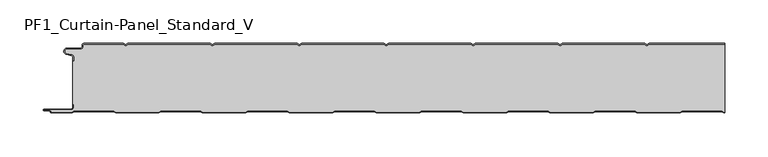
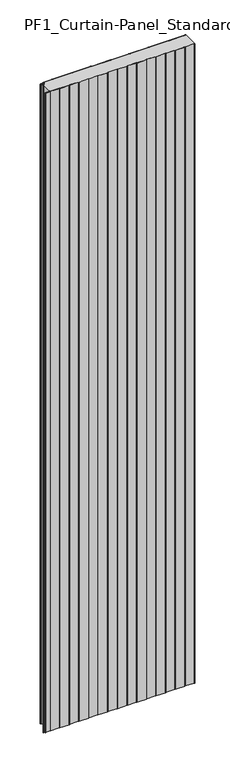
"""IFC4 building model written with IfcOpenShell, lengths in millimetres: plate geometry, PF1_Curtain-Panel_Standard_V."""

import ifcopenshell
import ifcopenshell.guid

model = None  # the IFC model being written
_history = None  # IfcOwnerHistory: only IFC2X3 demands one
_inside = {}  # id of a spatial element -> (the spatial element, [elements in it])
_under = {}  # id of a project, library or spatial element -> (it, [spatial elements below it])
_declared = {}  # id of a project -> (the project, [libraries it declares])
_typed = {}  # id of a type object -> (the type object, [elements of that type])
_made_of = {}  # id of a material, layer set ... -> (it, [elements and type objects made of it])


def new_model(schema):
    """Start an empty IFC model of exactly this schema.

    Asked for "IFC4X3", IfcOpenShell would pick the latest addendum, in which some entities
    have other attributes; the version numbers below select the first issue.
    IFC2X3 requires an IfcOwnerHistory on every rooted entity: one is made here for all.
    """
    global model, _history
    if schema == "IFC4X3":
        model = ifcopenshell.file(schema_version=(4, 3, 0, 0))
    else:
        model = ifcopenshell.file(schema=schema)
    _inside.clear()
    _under.clear()
    _declared.clear()
    _typed.clear()
    _made_of.clear()
    _history = None
    if model.schema == "IFC2X3":
        org = make("IfcOrganization", Name="unknown")
        user = make(
            "IfcPersonAndOrganization",
            ThePerson=make("IfcPerson", FamilyName="unknown"),
            TheOrganization=org,
        )
        app = make(
            "IfcApplication",
            ApplicationDeveloper=org,
            Version="unknown",
            ApplicationFullName="unknown",
            ApplicationIdentifier="unknown",
        )
        _history = make(
            "IfcOwnerHistory",
            OwningUser=user,
            OwningApplication=app,
            ChangeAction="ADDED",
            CreationDate=0,
        )
    return model


def make(cls, **values):
    """One entity of the class cls with the attributes given. An attribute that is None is left unset."""
    return model.create_entity(
        cls, **{name: value for name, value in values.items() if value is not None}
    )


def rooted(cls, **values):
    """An entity with a GlobalId (a new one), such as an element, a storey or a relation."""
    return make(cls, GlobalId=ifcopenshell.guid.new(), OwnerHistory=_history, **values)


def si_unit(unit_type, name, prefix=None):
    """IfcSIUnit, for example si_unit("LENGTHUNIT", "METRE", prefix="MILLI")."""
    return make("IfcSIUnit", UnitType=unit_type, Prefix=prefix, Name=name)


def assignment(units):
    """IfcUnitAssignment: the units of a project."""
    return None if units is None else make("IfcUnitAssignment", Units=units)


def point(xyz):
    """IfcCartesianPoint."""
    return None if xyz is None else make("IfcCartesianPoint", Coordinates=xyz)


def direction(xyz):
    """IfcDirection."""
    return None if xyz is None else make("IfcDirection", DirectionRatios=xyz)


def frame(location, z_axis=None, x_axis=None):
    """IfcAxis2Placement3D, a coordinate frame: its origin and axes. An axis left out is left unset."""
    return make(
        "IfcAxis2Placement3D",
        Location=point(location),
        Axis=direction(z_axis),
        RefDirection=direction(x_axis),
    )


def frame_2d(location, x_axis=None):
    """IfcAxis2Placement2D, a coordinate frame in the plane: its origin and x axis."""
    return make(
        "IfcAxis2Placement2D", Location=point(location), RefDirection=direction(x_axis)
    )


def origin():
    """The frame at (0, 0, 0) with its axes left unset."""
    return frame((0.0, 0.0, 0.0))


def origin_with_axes():
    """The frame at (0, 0, 0) with the z axis (0, 0, 1) and the x axis (1, 0, 0) written out."""
    return frame((0.0, 0.0, 0.0), z_axis=(0.0, 0.0, 1.0), x_axis=(1.0, 0.0, 0.0))


def place(relative_to, where):
    """IfcLocalPlacement: puts the frame where relative to a parent placement (None: the world)."""
    return make(
        "IfcLocalPlacement", PlacementRelTo=relative_to, RelativePlacement=where
    )


def context(
    kind, dimensions, precision=None, world=None, true_north=None, identifier=None
):
    """IfcGeometricRepresentationContext, for example the 3D "Model" context."""
    return make(
        "IfcGeometricRepresentationContext",
        ContextIdentifier=identifier,
        ContextType=kind,
        CoordinateSpaceDimension=dimensions,
        Precision=precision,
        WorldCoordinateSystem=world,
        TrueNorth=true_north,
    )


def project(units=None, contexts=None):
    """IfcProject with its units and contexts."""
    return rooted(
        "IfcProject",
        Name="project",
        RepresentationContexts=contexts,
        UnitsInContext=assignment(units),
    )


def spatial(cls, under=None, at=None, **own):
    """A site, building, storey or space (cls), placed at a placement, below another one or the project."""
    s = rooted(cls, ObjectPlacement=at, **own)
    if under is not None:
        _under.setdefault(under.id(), (under, []))[1].append(s)
    return s


def polyline(points):
    """IfcPolyline through the points."""
    return make("IfcPolyline", Points=[point(p) for p in points])


def circle_curve(where, radius):
    """IfcCircle in the frame where."""
    return make("IfcCircle", Position=where, Radius=radius)


def trimmed(basis, trim1, trim2, sense, master):
    """IfcTrimmedCurve: the piece of a basis curve between two trims."""
    return make(
        "IfcTrimmedCurve",
        BasisCurve=basis,
        Trim1=trim1,
        Trim2=trim2,
        SenseAgreement=sense,
        MasterRepresentation=master,
    )


def segment(curve, same_sense, transition):
    """IfcCompositeCurveSegment."""
    return make(
        "IfcCompositeCurveSegment",
        Transition=transition,
        SameSense=same_sense,
        ParentCurve=curve,
    )


def composite_curve(segments, self_intersect=None):
    """IfcCompositeCurve: segments joined end to end."""
    return make("IfcCompositeCurve", Segments=segments, SelfIntersect=self_intersect)


def outline(outer, holes=None, kind="AREA"):
    """IfcArbitraryClosedProfileDef: a profile drawn as a closed curve; with holes, ...WithVoids."""
    if holes is None:
        return make("IfcArbitraryClosedProfileDef", ProfileType=kind, OuterCurve=outer)
    return make(
        "IfcArbitraryProfileDefWithVoids",
        ProfileType=kind,
        OuterCurve=outer,
        InnerCurves=holes,
    )


def extrude(swept, where, along, depth):
    """IfcExtrudedAreaSolid: the profile swept, set in the frame where, extruded along a direction by depth."""
    return make(
        "IfcExtrudedAreaSolid",
        SweptArea=swept,
        Position=where,
        ExtrudedDirection=direction(along),
        Depth=depth,
    )


def shape(context_of_items, identifier, shape_type, items):
    """IfcShapeRepresentation: the items that make up one representation, for example the "Body"."""
    return make(
        "IfcShapeRepresentation",
        ContextOfItems=context_of_items,
        RepresentationIdentifier=identifier,
        RepresentationType=shape_type,
        Items=items,
    )


def source(mapping_origin, context_of_items, identifier, shape_type, items):
    """IfcRepresentationMap: a shape defined once, which mapped items show again and again."""
    return make(
        "IfcRepresentationMap",
        MappingOrigin=mapping_origin,
        MappedRepresentation=shape(context_of_items, identifier, shape_type, items),
    )


def transform(
    local_origin,
    x_axis=None,
    y_axis=None,
    z_axis=None,
    scale=None,
    scale2=None,
    scale3=None,
    uniform=True,
):
    """IfcCartesianTransformationOperator3D, or its non-uniform kind. x_axis, y_axis, z_axis: its Axis1, 2, 3."""
    if uniform:
        return make(
            "IfcCartesianTransformationOperator3D",
            Axis1=direction(x_axis),
            Axis2=direction(y_axis),
            LocalOrigin=point(local_origin),
            Scale=scale,
            Axis3=direction(z_axis),
        )
    return make(
        "IfcCartesianTransformationOperator3DnonUniform",
        Axis1=direction(x_axis),
        Axis2=direction(y_axis),
        LocalOrigin=point(local_origin),
        Scale=scale,
        Axis3=direction(z_axis),
        Scale2=scale2,
        Scale3=scale3,
    )


def mapped(mapping_source, mapping_target):
    """IfcMappedItem: shows the shape of a source again, moved by a transform."""
    return make(
        "IfcMappedItem", MappingSource=mapping_source, MappingTarget=mapping_target
    )


def made_of(thing, what):
    """Note that an element or type object is made of a material, layer set ...; save() writes the relation."""
    if what is not None:
        _made_of.setdefault(what.id(), (what, []))[1].append(thing)
    return thing


def element(
    cls,
    number,
    at=None,
    inside=None,
    cuts=None,
    type_object=None,
    material=None,
    context=None,
    identifier="Body",
    shape_type=None,
    held_by="IfcProductDefinitionShape",
    body=None,
    shapes=None,
    **own,
):
    """One element of the class cls, such as IfcWall. Its Tag is "e" and its number.

    at: its placement. inside: the storey or other place that contains it. cuts: it is an
    opening in that element (IfcRelVoidsElement). A single representation is given by context,
    identifier, shape_type and body (its items); several are given by shapes. held_by: the class
    of the entity that holds the representations. save() writes the other relations.
    """
    e = rooted(cls, Tag="e%d" % number, ObjectPlacement=at, **own)
    if body is not None:
        shapes = [shape(context, identifier, shape_type, body)]
    if shapes is not None:
        e.Representation = make(held_by, Representations=shapes)
    if inside is not None:
        _inside.setdefault(inside.id(), (inside, []))[1].append(e)
    if cuts is not None:
        rooted(
            "IfcRelVoidsElement", RelatingBuildingElement=cuts, RelatedOpeningElement=e
        )
    if type_object is not None:
        _typed.setdefault(type_object.id(), (type_object, []))[1].append(e)
    return made_of(e, material)


def aggregate(whole, parts):
    """IfcRelAggregates: a whole, such as a stair, and the parts it consists of."""
    return rooted("IfcRelAggregates", RelatingObject=whole, RelatedObjects=parts)


def save(model, path):
    """Write the relations noted so far, then the file.

    IfcRelAggregates (storeys below a building ...), IfcRelContainedInSpatialStructure (elements
    in a storey), IfcRelDefinesByType, IfcRelAssociatesMaterial and IfcRelDeclares: one each for
    every whole, place, type object, material and project.
    """
    for whole, parts in _under.values():
        aggregate(whole, parts)
    for where, things in _inside.values():
        rooted(
            "IfcRelContainedInSpatialStructure",
            RelatedElements=things,
            RelatingStructure=where,
        )
    for kind, things in _typed.values():
        rooted("IfcRelDefinesByType", RelatedObjects=things, RelatingType=kind)
    for what, things in _made_of.values():
        rooted("IfcRelAssociatesMaterial", RelatedObjects=things, RelatingMaterial=what)
    for by, libraries in _declared.values():
        rooted("IfcRelDeclares", RelatingContext=by, RelatedDefinitions=libraries)
    model.write(path)


def pf1_curtain_panel_standard_v_c93834a4(model_context):
    return source(origin(), model_context, "Body", "SweptSolid", [
        extrude(outline(composite_curve([segment(trimmed(circle_curve(frame_2d((-377.0, -15.878557)), 2.0), [point((-375.0, -15.878557))], [point((-376.5500978, -13.9298169))], True, "CARTESIAN"), True, "CONTINUOUS"), segment(polyline([(-376.5500978, -13.9298169), (-382.7098239, -12.507732)]), True, "CONTINUOUS"), segment(trimmed(circle_curve(frame_2d((-381.9, -9.0)), 3.6), [point((-382.7098239, -12.507732))], [point((-381.9, -5.4))], False, "CARTESIAN"), True, "CONTINUOUS"), segment(polyline([(-381.9, -5.4), (-366.4, -5.4)]), True, "CONTINUOUS"), segment(trimmed(circle_curve(frame_2d((-366.4, -3.4)), 2.0), [point((-366.4, -5.4))], [point((-364.4, -3.4))], True, "CARTESIAN"), True, "CONTINUOUS"), segment(polyline([(-364.4, -3.4), (-364.4, -2.0)]), True, "CONTINUOUS"), segment(trimmed(circle_curve(frame_2d((-362.4, -2.0)), 2.0), [point((-364.4, -2.0))], [point((-362.4, 0.0))], False, "CARTESIAN"), True, "CONTINUOUS"), segment(polyline([(-362.4, 0.0), (-317.0999995, 0.0), (-314.4, -1.5588455), (-311.7000005, 0.0), (-217.0999995, 0.0), (-214.4, -1.5588455), (-211.7000005, 0.0), (-117.0999995, 0.0), (-114.4, -1.5588455), (-111.7000005, 0.0), (-17.0999995, 0.0), (-14.4, -1.5588455), (-11.7000005, 0.0), (82.9000005, 0.0), (85.6, -1.5588455), (88.2999995, 0.0), (182.9000005, 0.0), (185.6, -1.5588455), (188.2999995, 0.0), (282.9000005, 0.0), (285.6, -1.5588455), (288.2999995, 0.0), (375.0, 0.0), (375.0, -0.8), (288.5143588, -0.8), (285.6, -2.482606), (282.6856412, -0.8), (188.5143588, -0.8), (185.6, -2.482606), (182.6856412, -0.8), (88.5143588, -0.8), (85.6, -2.482606), (82.6856412, -0.8), (-11.4856412, -0.8), (-14.4, -2.482606), (-17.3143588, -0.8), (-111.4856412, -0.8), (-114.4, -2.482606), (-117.3143588, -0.8), (-211.4856412, -0.8), (-214.4, -2.482606), (-217.3143588, -0.8), (-311.4856412, -0.8), (-314.4, -2.482606), (-317.3143588, -0.8), (-362.4, -0.8)]), True, "CONTINUOUS"), segment(trimmed(circle_curve(frame_2d((-362.4, -2.0)), 1.2), [point((-362.4, -0.8))], [point((-363.6, -2.0))], True, "CARTESIAN"), True, "CONTINUOUS"), segment(polyline([(-363.6, -2.0), (-363.6, -3.4)]), True, "CONTINUOUS"), segment(trimmed(circle_curve(frame_2d((-366.4, -3.4)), 2.8), [point((-363.6, -3.4))], [point((-366.4, -6.2))], False, "CARTESIAN"), True, "CONTINUOUS"), segment(polyline([(-366.4, -6.2), (-381.9, -6.2)]), True, "CONTINUOUS"), segment(trimmed(circle_curve(frame_2d((-381.9, -9.0)), 2.8), [point((-381.9, -6.2))], [point((-382.529863, -11.7282362))], True, "CARTESIAN"), True, "CONTINUOUS"), segment(polyline([(-382.529863, -11.7282362), (-376.370137, -13.150321)]), True, "CONTINUOUS"), segment(trimmed(circle_curve(frame_2d((-377.0, -15.878557)), 2.8), [point((-376.370137, -13.150321))], [point((-374.2, -15.878557))], False, "CARTESIAN"), True, "CONTINUOUS"), segment(polyline([(-374.2, -15.878557), (-374.2, -20.0), (-375.0, -20.0), (-375.0, -15.878557)]), True, "CONTINUOUS")], self_intersect=False)), origin_with_axes(), (0.0, 0.0, 1.0), 3500.0),
        extrude(outline(composite_curve([segment(polyline([(-374.2, -70.0), (-375.0, -70.0), (-375.0, -20.0), (-374.2, -20.0), (-374.2, -15.878557)]), True, "CONTINUOUS"), segment(trimmed(circle_curve(frame_2d((-377.0, -15.878557)), 2.8), [point((-374.2, -15.878557))], [point((-376.370137, -13.1503208))], True, "CARTESIAN"), True, "CONTINUOUS"), segment(polyline([(-376.370137, -13.1503208), (-382.529863, -11.7282362)]), True, "CONTINUOUS"), segment(trimmed(circle_curve(frame_2d((-381.9, -9.0)), 2.8), [point((-382.529863, -11.7282362))], [point((-381.9, -6.2))], False, "CARTESIAN"), True, "CONTINUOUS"), segment(polyline([(-381.9, -6.2), (-366.4, -6.2)]), True, "CONTINUOUS"), segment(trimmed(circle_curve(frame_2d((-366.4, -3.4)), 2.8), [point((-366.4, -6.2))], [point((-363.6, -3.4))], True, "CARTESIAN"), True, "CONTINUOUS"), segment(polyline([(-363.6, -3.4), (-363.6, -2.0)]), True, "CONTINUOUS"), segment(trimmed(circle_curve(frame_2d((-362.4, -2.0)), 1.2), [point((-363.6, -2.0))], [point((-362.4, -0.8))], False, "CARTESIAN"), True, "CONTINUOUS"), segment(polyline([(-362.4, -0.8), (-317.3143588, -0.8), (-314.4, -2.482606), (-311.4856412, -0.8), (-217.3143588, -0.8), (-214.4, -2.482606), (-211.4856412, -0.8), (-117.3143588, -0.8), (-114.4, -2.482606), (-111.4856412, -0.8), (-17.3143588, -0.8), (-14.4, -2.482606), (-11.4856412, -0.8), (82.6856412, -0.8), (85.6, -2.482606), (88.5143588, -0.8), (182.6856412, -0.8), (185.6, -2.482606), (188.5143588, -0.8), (282.6856412, -0.8), (285.6, -2.482606), (288.5143588, -0.8), (375.0, -0.8), (375.0, -79.2), (374.2152562, -79.2), (371.6171786, -77.7), (326.3884624, -77.7), (323.7903848, -79.2), (274.2152562, -79.2), (271.6171786, -77.7), (226.3884624, -77.7), (223.7903848, -79.2), (174.2152562, -79.2), (171.6171786, -77.7), (126.3884624, -77.7), (123.7903848, -79.2), (74.2152562, -79.2), (71.6171786, -77.7), (26.3884624, -77.7), (23.7903848, -79.2), (-25.7847438, -79.2), (-28.3828214, -77.7), (-73.6115376, -77.7), (-76.2096152, -79.2), (-125.7847438, -79.2), (-128.3828214, -77.7), (-173.6115376, -77.7), (-176.2096152, -79.2), (-225.7847438, -79.2), (-228.3828214, -77.7), (-273.6115376, -77.7), (-276.2096152, -79.2), (-325.7847438, -79.2), (-328.3828214, -77.7), (-373.6115376, -77.7), (-376.2096152, -79.2), (-399.4, -79.2)]), True, "CONTINUOUS"), segment(trimmed(circle_curve(frame_2d((-399.4, -78.4)), 0.8), [point((-399.4, -79.2))], [point((-400.2, -78.4))], False, "CARTESIAN"), True, "CONTINUOUS"), segment(trimmed(circle_curve(frame_2d((-401.9, -78.6133333)), 1.7133333), [point((-400.2, -78.4))], [point((-401.9, -76.9))], True, "CARTESIAN"), True, "CONTINUOUS"), segment(polyline([(-401.9, -76.9), (-407.8700312, -76.9)]), True, "CONTINUOUS"), segment(trimmed(circle_curve(frame_2d((-407.8700312, -76.6)), 0.3), [point((-407.8700312, -76.9))], [point((-407.8700312, -76.3))], False, "CARTESIAN"), True, "CONTINUOUS"), segment(polyline([(-407.8700312, -76.3), (-377.0, -76.3)]), True, "CONTINUOUS"), segment(trimmed(circle_curve(frame_2d((-377.0, -73.5)), 2.8), [point((-377.0, -76.3))], [point((-374.2, -73.5))], True, "CARTESIAN"), True, "CONTINUOUS"), segment(polyline([(-374.2, -73.5), (-374.2, -70.0)]), True, "CONTINUOUS")], self_intersect=False)), origin_with_axes(), (0.0, 0.0, 1.0), 3500.0),
        extrude(outline(composite_curve([segment(polyline([(-375.0, -70.0), (-374.2, -70.0), (-374.2, -73.5)]), True, "CONTINUOUS"), segment(trimmed(circle_curve(frame_2d((-377.0, -73.5)), 2.8), [point((-374.2, -73.5))], [point((-377.0, -76.3))], False, "CARTESIAN"), True, "CONTINUOUS"), segment(polyline([(-377.0, -76.3), (-407.8700312, -76.3)]), True, "CONTINUOUS"), segment(trimmed(circle_curve(frame_2d((-407.8700312, -76.6)), 0.3), [point((-407.8700312, -76.3))], [point((-407.8700312, -76.9))], True, "CARTESIAN"), True, "CONTINUOUS"), segment(polyline([(-407.8700312, -76.9), (-401.9, -76.9)]), True, "CONTINUOUS"), segment(trimmed(circle_curve(frame_2d((-401.9, -78.6133333)), 1.7133333), [point((-401.9, -76.9))], [point((-400.2, -78.4))], False, "CARTESIAN"), True, "CONTINUOUS"), segment(trimmed(circle_curve(frame_2d((-399.4, -78.4)), 0.8), [point((-400.2, -78.4))], [point((-399.4, -79.2))], True, "CARTESIAN"), True, "CONTINUOUS"), segment(polyline([(-399.4, -79.2), (-376.2096152, -79.2), (-373.6115376, -77.7), (-328.3828214, -77.7), (-325.7847438, -79.2), (-276.2096152, -79.2), (-273.6115376, -77.7), (-228.3828214, -77.7), (-225.7847438, -79.2), (-176.2096152, -79.2), (-173.6115376, -77.7), (-128.3828214, -77.7), (-125.7847438, -79.2), (-76.2096152, -79.2), (-73.6115376, -77.7), (-28.3828214, -77.7), (-25.7847438, -79.2), (23.7903848, -79.2), (26.3884624, -77.7), (71.6171786, -77.7), (74.2152562, -79.2), (123.7903848, -79.2), (126.3884624, -77.7), (171.6171786, -77.7), (174.2152562, -79.2), (223.7903848, -79.2), (226.3884624, -77.7), (271.6171786, -77.7), (274.2152562, -79.2), (323.7903848, -79.2), (326.3884624, -77.7), (371.6171786, -77.7), (374.2152562, -79.2), (375.0, -79.2), (375.0, -80.0), (374.0008969, -80.0), (371.4028193, -78.5), (326.6028217, -78.5), (324.0047441, -80.0), (274.0008969, -80.0), (271.4028193, -78.5), (226.6028217, -78.5), (224.0047441, -80.0), (174.0008969, -80.0), (171.4028193, -78.5), (126.6028217, -78.5), (124.0047441, -80.0), (74.0008969, -80.0), (71.4028193, -78.5), (26.6028217, -78.5), (24.0047441, -80.0), (-25.9991031, -80.0), (-28.5971807, -78.5), (-73.3971783, -78.5), (-75.9952559, -80.0), (-125.9991031, -80.0), (-128.5971807, -78.5), (-173.3971783, -78.5), (-175.9952559, -80.0), (-225.9991031, -80.0), (-228.5971807, -78.5), (-273.3971783, -78.5), (-275.9952559, -80.0), (-325.9991031, -80.0), (-328.5971807, -78.5), (-373.3971783, -78.5), (-375.9952559, -80.0), (-399.4, -80.0)]), True, "CONTINUOUS"), segment(trimmed(circle_curve(frame_2d((-399.4, -78.4)), 1.6), [point((-399.4, -80.0))], [point((-401.0, -78.4))], False, "CARTESIAN"), True, "CONTINUOUS"), segment(trimmed(circle_curve(frame_2d((-401.9, -78.4)), 0.9), [point((-401.0, -78.4))], [point((-401.9, -77.5))], True, "CARTESIAN"), True, "CONTINUOUS"), segment(polyline([(-401.9, -77.5), (-408.0, -77.5)]), True, "CONTINUOUS"), segment(trimmed(circle_curve(frame_2d((-408.0, -76.5)), 1.0), [point((-408.0, -77.5))], [point((-408.0, -75.5))], False, "CARTESIAN"), True, "CONTINUOUS"), segment(polyline([(-408.0, -75.5), (-377.0, -75.5)]), True, "CONTINUOUS"), segment(trimmed(circle_curve(frame_2d((-377.0, -73.5)), 2.0), [point((-377.0, -75.5))], [point((-375.0, -73.5))], True, "CARTESIAN"), True, "CONTINUOUS"), segment(polyline([(-375.0, -73.5), (-375.0, -70.0)]), True, "CONTINUOUS")], self_intersect=False)), origin_with_axes(), (0.0, 0.0, 1.0), 3500.0),
    ])


if __name__ == "__main__":
    model = new_model("IFC4")
    model_context = context("Model", 3, world=origin())
    ifc_project = project(units=[si_unit("LENGTHUNIT", "METRE", prefix="MILLI")], contexts=[model_context])
    site = spatial("IfcSite", under=ifc_project)
    building = spatial("IfcBuilding", under=site)
    placement = place(None, origin())
    pf1_curtain_panel_standard_v_shape = pf1_curtain_panel_standard_v_c93834a4(model_context)
    element("IfcPlate", 1, ObjectType="PF1_Curtain-Panel_Standard_V", at=placement, inside=building, context=model_context, shape_type="MappedRepresentation", body=[
        mapped(pf1_curtain_panel_standard_v_shape, transform((0.0, 0.0, 0.0), x_axis=(1.0, 0.0, 0.0), y_axis=(0.0, 1.0, 0.0), z_axis=(0.0, 0.0, 1.0))),
    ])
    save(model, "model.ifc")
